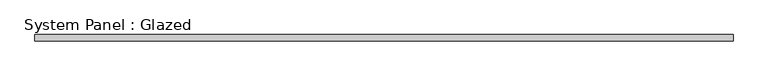
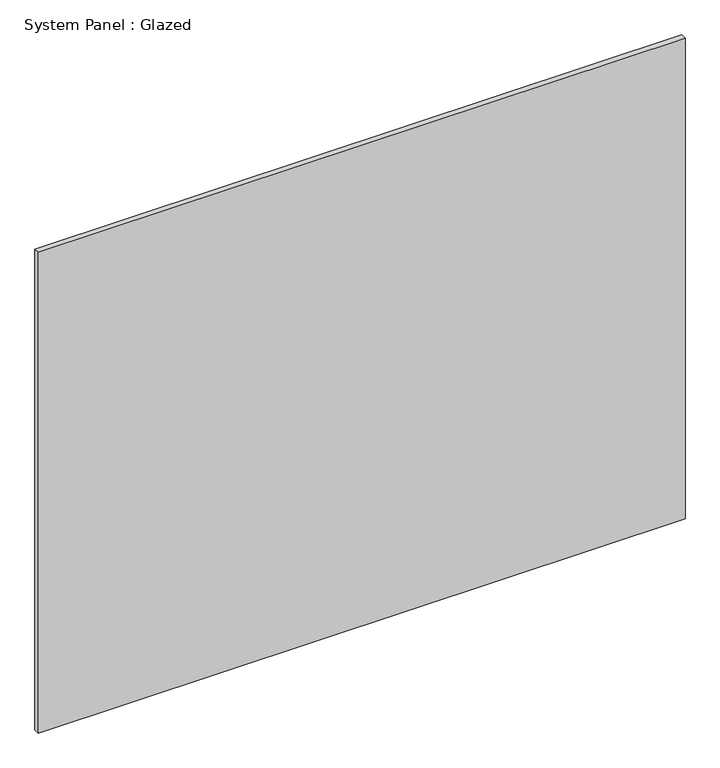
"""IFC4 building model written with IfcOpenShell, lengths in millimetres: plate geometry, System Panel : Glazed."""

from ifc_helpers import new_model, si_unit, origin, origin_with_axes, place, context, project, spatial, polyline, outline, extrude, source, transform, mapped, element, save


def system_panel_glazed_b682965e(model_context):
    return source(origin(), model_context, "Body", "SweptSolid", [
        extrude(outline(polyline([(1400.0, 19.05), (-1400.0, 19.05), (-1400.0, 44.45), (1400.0, 44.45), (1400.0, 19.05)])), origin_with_axes(), (0.0, 0.0, 1.0), 2200.0),
    ])


if __name__ == "__main__":
    model = new_model("IFC4")
    model_context = context("Model", 3, world=origin())
    ifc_project = project(units=[si_unit("LENGTHUNIT", "METRE", prefix="MILLI")], contexts=[model_context])
    site = spatial("IfcSite", under=ifc_project)
    building = spatial("IfcBuilding", under=site)
    placement = place(None, origin())
    system_panel_glazed_shape = system_panel_glazed_b682965e(model_context)
    element("IfcPlate", 1, ObjectType="System Panel : Glazed", at=placement, inside=building, context=model_context, shape_type="MappedRepresentation", body=[
        mapped(system_panel_glazed_shape, transform((0.0, 0.0, 0.0), x_axis=(1.0, 0.0, 0.0), y_axis=(0.0, 1.0, 0.0), z_axis=(0.0, 0.0, 1.0))),
    ])
    save(model, "model.ifc")
